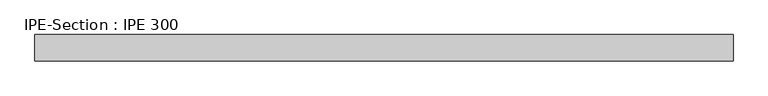
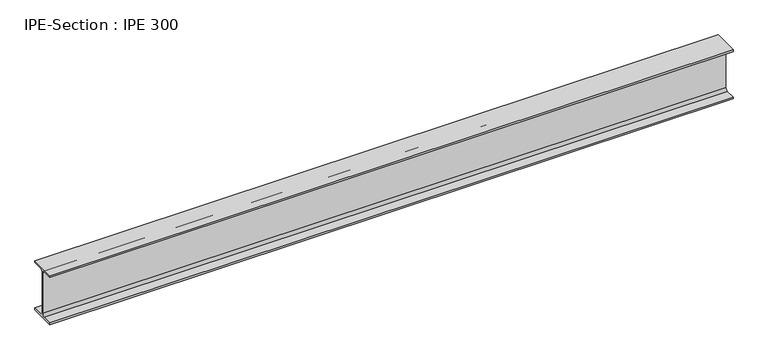
"""IFC4 building model written with IfcOpenShell, lengths in millimetres: beam geometry, IPE-Section : IPE 300."""

import ifcopenshell
import ifcopenshell.guid

model = None  # the IFC model being written
_history = None  # IfcOwnerHistory: only IFC2X3 demands one
_inside = {}  # id of a spatial element -> (the spatial element, [elements in it])
_under = {}  # id of a project, library or spatial element -> (it, [spatial elements below it])
_declared = {}  # id of a project -> (the project, [libraries it declares])
_typed = {}  # id of a type object -> (the type object, [elements of that type])
_made_of = {}  # id of a material, layer set ... -> (it, [elements and type objects made of it])


def new_model(schema):
    """Start an empty IFC model of exactly this schema.

    Asked for "IFC4X3", IfcOpenShell would pick the latest addendum, in which some entities
    have other attributes; the version numbers below select the first issue.
    IFC2X3 requires an IfcOwnerHistory on every rooted entity: one is made here for all.
    """
    global model, _history
    if schema == "IFC4X3":
        model = ifcopenshell.file(schema_version=(4, 3, 0, 0))
    else:
        model = ifcopenshell.file(schema=schema)
    _inside.clear()
    _under.clear()
    _declared.clear()
    _typed.clear()
    _made_of.clear()
    _history = None
    if model.schema == "IFC2X3":
        org = make("IfcOrganization", Name="unknown")
        user = make(
            "IfcPersonAndOrganization",
            ThePerson=make("IfcPerson", FamilyName="unknown"),
            TheOrganization=org,
        )
        app = make(
            "IfcApplication",
            ApplicationDeveloper=org,
            Version="unknown",
            ApplicationFullName="unknown",
            ApplicationIdentifier="unknown",
        )
        _history = make(
            "IfcOwnerHistory",
            OwningUser=user,
            OwningApplication=app,
            ChangeAction="ADDED",
            CreationDate=0,
        )
    return model


def make(cls, **values):
    """One entity of the class cls with the attributes given. An attribute that is None is left unset."""
    return model.create_entity(
        cls, **{name: value for name, value in values.items() if value is not None}
    )


def rooted(cls, **values):
    """An entity with a GlobalId (a new one), such as an element, a storey or a relation."""
    return make(cls, GlobalId=ifcopenshell.guid.new(), OwnerHistory=_history, **values)


def si_unit(unit_type, name, prefix=None):
    """IfcSIUnit, for example si_unit("LENGTHUNIT", "METRE", prefix="MILLI")."""
    return make("IfcSIUnit", UnitType=unit_type, Prefix=prefix, Name=name)


def assignment(units):
    """IfcUnitAssignment: the units of a project."""
    return None if units is None else make("IfcUnitAssignment", Units=units)


def point(xyz):
    """IfcCartesianPoint."""
    return None if xyz is None else make("IfcCartesianPoint", Coordinates=xyz)


def direction(xyz):
    """IfcDirection."""
    return None if xyz is None else make("IfcDirection", DirectionRatios=xyz)


def frame(location, z_axis=None, x_axis=None):
    """IfcAxis2Placement3D, a coordinate frame: its origin and axes. An axis left out is left unset."""
    return make(
        "IfcAxis2Placement3D",
        Location=point(location),
        Axis=direction(z_axis),
        RefDirection=direction(x_axis),
    )


def frame_2d(location, x_axis=None):
    """IfcAxis2Placement2D, a coordinate frame in the plane: its origin and x axis."""
    return make(
        "IfcAxis2Placement2D", Location=point(location), RefDirection=direction(x_axis)
    )


def origin():
    """The frame at (0, 0, 0) with its axes left unset."""
    return frame((0.0, 0.0, 0.0))


def place(relative_to, where):
    """IfcLocalPlacement: puts the frame where relative to a parent placement (None: the world)."""
    return make(
        "IfcLocalPlacement", PlacementRelTo=relative_to, RelativePlacement=where
    )


def context(
    kind, dimensions, precision=None, world=None, true_north=None, identifier=None
):
    """IfcGeometricRepresentationContext, for example the 3D "Model" context."""
    return make(
        "IfcGeometricRepresentationContext",
        ContextIdentifier=identifier,
        ContextType=kind,
        CoordinateSpaceDimension=dimensions,
        Precision=precision,
        WorldCoordinateSystem=world,
        TrueNorth=true_north,
    )


def project(units=None, contexts=None):
    """IfcProject with its units and contexts."""
    return rooted(
        "IfcProject",
        Name="project",
        RepresentationContexts=contexts,
        UnitsInContext=assignment(units),
    )


def spatial(cls, under=None, at=None, **own):
    """A site, building, storey or space (cls), placed at a placement, below another one or the project."""
    s = rooted(cls, ObjectPlacement=at, **own)
    if under is not None:
        _under.setdefault(under.id(), (under, []))[1].append(s)
    return s


def polyline(points):
    """IfcPolyline through the points."""
    return make("IfcPolyline", Points=[point(p) for p in points])


def circle_curve(where, radius):
    """IfcCircle in the frame where."""
    return make("IfcCircle", Position=where, Radius=radius)


def trimmed(basis, trim1, trim2, sense, master):
    """IfcTrimmedCurve: the piece of a basis curve between two trims."""
    return make(
        "IfcTrimmedCurve",
        BasisCurve=basis,
        Trim1=trim1,
        Trim2=trim2,
        SenseAgreement=sense,
        MasterRepresentation=master,
    )


def segment(curve, same_sense, transition):
    """IfcCompositeCurveSegment."""
    return make(
        "IfcCompositeCurveSegment",
        Transition=transition,
        SameSense=same_sense,
        ParentCurve=curve,
    )


def composite_curve(segments, self_intersect=None):
    """IfcCompositeCurve: segments joined end to end."""
    return make("IfcCompositeCurve", Segments=segments, SelfIntersect=self_intersect)


def outline(outer, holes=None, kind="AREA"):
    """IfcArbitraryClosedProfileDef: a profile drawn as a closed curve; with holes, ...WithVoids."""
    if holes is None:
        return make("IfcArbitraryClosedProfileDef", ProfileType=kind, OuterCurve=outer)
    return make(
        "IfcArbitraryProfileDefWithVoids",
        ProfileType=kind,
        OuterCurve=outer,
        InnerCurves=holes,
    )


def extrude(swept, where, along, depth):
    """IfcExtrudedAreaSolid: the profile swept, set in the frame where, extruded along a direction by depth."""
    return make(
        "IfcExtrudedAreaSolid",
        SweptArea=swept,
        Position=where,
        ExtrudedDirection=direction(along),
        Depth=depth,
    )


def shape(context_of_items, identifier, shape_type, items):
    """IfcShapeRepresentation: the items that make up one representation, for example the "Body"."""
    return make(
        "IfcShapeRepresentation",
        ContextOfItems=context_of_items,
        RepresentationIdentifier=identifier,
        RepresentationType=shape_type,
        Items=items,
    )


def source(mapping_origin, context_of_items, identifier, shape_type, items):
    """IfcRepresentationMap: a shape defined once, which mapped items show again and again."""
    return make(
        "IfcRepresentationMap",
        MappingOrigin=mapping_origin,
        MappedRepresentation=shape(context_of_items, identifier, shape_type, items),
    )


def transform(
    local_origin,
    x_axis=None,
    y_axis=None,
    z_axis=None,
    scale=None,
    scale2=None,
    scale3=None,
    uniform=True,
):
    """IfcCartesianTransformationOperator3D, or its non-uniform kind. x_axis, y_axis, z_axis: its Axis1, 2, 3."""
    if uniform:
        return make(
            "IfcCartesianTransformationOperator3D",
            Axis1=direction(x_axis),
            Axis2=direction(y_axis),
            LocalOrigin=point(local_origin),
            Scale=scale,
            Axis3=direction(z_axis),
        )
    return make(
        "IfcCartesianTransformationOperator3DnonUniform",
        Axis1=direction(x_axis),
        Axis2=direction(y_axis),
        LocalOrigin=point(local_origin),
        Scale=scale,
        Axis3=direction(z_axis),
        Scale2=scale2,
        Scale3=scale3,
    )


def mapped(mapping_source, mapping_target):
    """IfcMappedItem: shows the shape of a source again, moved by a transform."""
    return make(
        "IfcMappedItem", MappingSource=mapping_source, MappingTarget=mapping_target
    )


def made_of(thing, what):
    """Note that an element or type object is made of a material, layer set ...; save() writes the relation."""
    if what is not None:
        _made_of.setdefault(what.id(), (what, []))[1].append(thing)
    return thing


def element(
    cls,
    number,
    at=None,
    inside=None,
    cuts=None,
    type_object=None,
    material=None,
    context=None,
    identifier="Body",
    shape_type=None,
    held_by="IfcProductDefinitionShape",
    body=None,
    shapes=None,
    **own,
):
    """One element of the class cls, such as IfcWall. Its Tag is "e" and its number.

    at: its placement. inside: the storey or other place that contains it. cuts: it is an
    opening in that element (IfcRelVoidsElement). A single representation is given by context,
    identifier, shape_type and body (its items); several are given by shapes. held_by: the class
    of the entity that holds the representations. save() writes the other relations.
    """
    e = rooted(cls, Tag="e%d" % number, ObjectPlacement=at, **own)
    if body is not None:
        shapes = [shape(context, identifier, shape_type, body)]
    if shapes is not None:
        e.Representation = make(held_by, Representations=shapes)
    if inside is not None:
        _inside.setdefault(inside.id(), (inside, []))[1].append(e)
    if cuts is not None:
        rooted(
            "IfcRelVoidsElement", RelatingBuildingElement=cuts, RelatedOpeningElement=e
        )
    if type_object is not None:
        _typed.setdefault(type_object.id(), (type_object, []))[1].append(e)
    return made_of(e, material)


def aggregate(whole, parts):
    """IfcRelAggregates: a whole, such as a stair, and the parts it consists of."""
    return rooted("IfcRelAggregates", RelatingObject=whole, RelatedObjects=parts)


def save(model, path):
    """Write the relations noted so far, then the file.

    IfcRelAggregates (storeys below a building ...), IfcRelContainedInSpatialStructure (elements
    in a storey), IfcRelDefinesByType, IfcRelAssociatesMaterial and IfcRelDeclares: one each for
    every whole, place, type object, material and project.
    """
    for whole, parts in _under.values():
        aggregate(whole, parts)
    for where, things in _inside.values():
        rooted(
            "IfcRelContainedInSpatialStructure",
            RelatedElements=things,
            RelatingStructure=where,
        )
    for kind, things in _typed.values():
        rooted("IfcRelDefinesByType", RelatedObjects=things, RelatingType=kind)
    for what, things in _made_of.values():
        rooted("IfcRelAssociatesMaterial", RelatedObjects=things, RelatingMaterial=what)
    for by, libraries in _declared.values():
        rooted("IfcRelDeclares", RelatingContext=by, RelatedDefinitions=libraries)
    model.write(path)


def ipe_section_ipe_300_88cae3d1(model_context):
    return source(origin(), model_context, "Body", "SweptSolid", [
        extrude(outline(composite_curve([segment(polyline([(-75.0, -139.3), (-18.55, -139.3)]), True, "CONTINUOUS"), segment(trimmed(circle_curve(frame_2d((-18.55, -124.3)), 15.0), [point((-18.55, -139.3))], [point((-3.55, -124.3))], True, "CARTESIAN"), True, "CONTINUOUS"), segment(polyline([(-3.55, -124.3), (-3.55, 124.3)]), True, "CONTINUOUS"), segment(trimmed(circle_curve(frame_2d((-18.55, 124.3)), 15.0), [point((-3.55, 124.3))], [point((-18.55, 139.3))], True, "CARTESIAN"), True, "CONTINUOUS"), segment(polyline([(-18.55, 139.3), (-75.0, 139.3), (-75.0, 150.0), (75.0, 150.0), (75.0, 139.3), (18.55, 139.3)]), True, "CONTINUOUS"), segment(trimmed(circle_curve(frame_2d((18.55, 124.3)), 15.0), [point((18.55, 139.3))], [point((3.55, 124.3))], True, "CARTESIAN"), True, "CONTINUOUS"), segment(polyline([(3.55, 124.3), (3.55, -124.3)]), True, "CONTINUOUS"), segment(trimmed(circle_curve(frame_2d((18.55, -124.3)), 15.0), [point((3.55, -124.3))], [point((18.55, -139.3))], True, "CARTESIAN"), True, "CONTINUOUS"), segment(polyline([(18.55, -139.3), (75.0, -139.3), (75.0, -150.0), (-75.0, -150.0), (-75.0, -139.3)]), True, "CONTINUOUS")], self_intersect=False)), frame((-1975.2166667, 0.0, 0.0), z_axis=(1.0, 0.0, 0.0), x_axis=(0.0, 1.0, 0.0)), (0.0, 0.0, 1.0), 3950.4333333),
    ])


if __name__ == "__main__":
    model = new_model("IFC4")
    model_context = context("Model", 3, world=origin())
    ifc_project = project(units=[si_unit("LENGTHUNIT", "METRE", prefix="MILLI")], contexts=[model_context])
    site = spatial("IfcSite", under=ifc_project)
    building = spatial("IfcBuilding", under=site)
    placement = place(None, origin())
    ipe_section_ipe_300_shape = ipe_section_ipe_300_88cae3d1(model_context)
    element("IfcBeam", 1, ObjectType="IPE-Section : IPE 300", at=placement, inside=building, context=model_context, shape_type="MappedRepresentation", body=[
        mapped(ipe_section_ipe_300_shape, transform((0.0, 0.0, 0.0), x_axis=(1.0, 0.0, 0.0), y_axis=(0.0, 1.0, 0.0), z_axis=(0.0, 0.0, 1.0))),
    ])
    save(model, "model.ifc")
